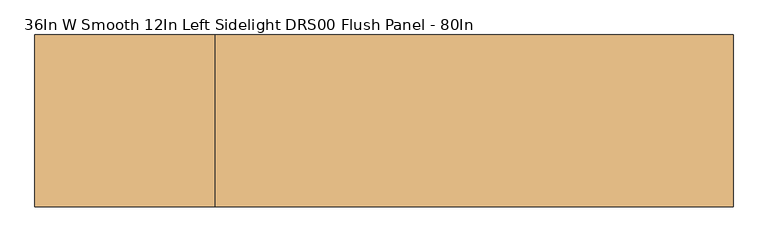
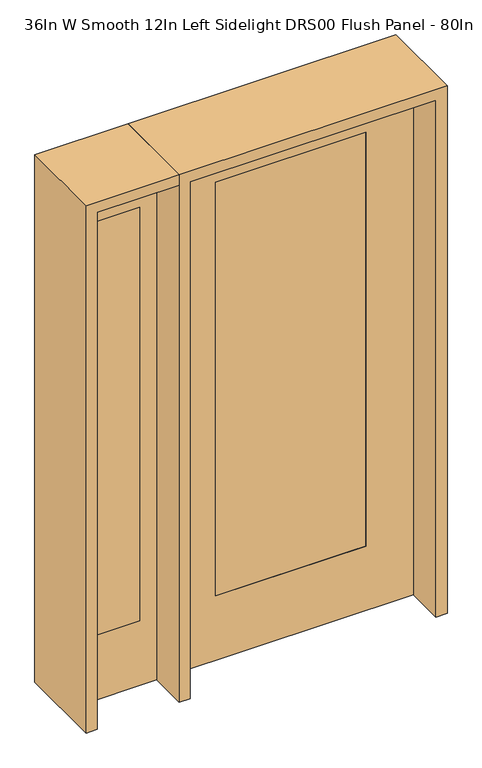
"""IFC4 building model written with IfcOpenShell, lengths in millimetres: door geometry, 36In W Smooth 12In Left Sidelight DRS00 Flush Panel - 80In."""

from ifc_helpers import new_model, si_unit, frame, origin, place, context, project, spatial, polyline, outline, extrude, source, transform, mapped, element, save


def door_36in_w_smooth_12in_left_sidelight_drs00_flush_panel_989665a3(model_context):
    return source(origin(), model_context, "Body", "SweptSolid", [
        extrude(outline(polyline([(-561.975, -20.6375), (-739.775, -20.6375), (-739.775, 20.6375), (-561.975, 20.6375), (-561.975, -20.6375)])), frame((0.0, 0.0, 254.0), z_axis=(0.0, 0.0, 1.0), x_axis=(1.0, 0.0, 0.0)), (0.0, 0.0, 1.0), 1625.6),
        extrude(outline(polyline([(0.0, -803.275), (0.0, -498.475), (2032.0, -498.475), (2032.0, -803.275), (0.0, -803.275)]), holes=[polyline([(1879.6, -561.975), (254.0, -561.975), (254.0, -739.775), (1879.6, -739.775), (1879.6, -561.975)])]), frame((0.0, -20.6375, 0.0), z_axis=(0.0, 1.0, 0.0), x_axis=(0.0, 0.0, 1.0)), (0.0, 0.0, 1.0), 41.275),
        extrude(outline(polyline([(2032.0, 457.2), (2032.0, -457.2), (0.0, -457.2), (0.0, 457.2), (2032.0, 457.2)]), holes=[polyline([(254.0, 279.4), (254.0, -279.4), (1879.6, -279.4), (1879.6, 279.4), (254.0, 279.4)])]), frame((0.0, -20.701, 0.0), z_axis=(0.0, 1.0, 0.0), x_axis=(0.0, 0.0, 1.0)), (0.0, 0.0, 1.0), 41.402),
        extrude(outline(polyline([(279.4, -20.701), (-279.4, -20.701), (-279.4, 20.701), (279.4, 20.701), (279.4, -20.701)])), frame((0.0, 0.0, 254.0), z_axis=(0.0, 0.0, 1.0), x_axis=(1.0, 0.0, 0.0)), (0.0, 0.0, 1.0), 1625.6),
        extrude(outline(polyline([(2032.0, -498.475), (2073.275, -498.475), (2073.275, -844.55), (0.0, -844.55), (0.0, -803.275), (2032.0, -803.275), (2032.0, -498.475)])), frame((0.0, -165.1, 0.0), z_axis=(0.0, 1.0, 0.0), x_axis=(0.0, 0.0, 1.0)), (0.0, 0.0, 1.0), 330.2),
        extrude(outline(polyline([(2073.275, -498.475), (0.0, -498.475), (0.0, -457.2), (2032.0, -457.2), (2032.0, 457.2), (0.0, 457.2), (0.0, 498.475), (2073.275, 498.475), (2073.275, -498.475)])), frame((0.0, -165.1, 0.0), z_axis=(0.0, 1.0, 0.0), x_axis=(0.0, 0.0, 1.0)), (0.0, 0.0, 1.0), 330.2),
    ])


if __name__ == "__main__":
    model = new_model("IFC4")
    model_context = context("Model", 3, world=origin())
    ifc_project = project(units=[si_unit("LENGTHUNIT", "METRE", prefix="MILLI")], contexts=[model_context])
    site = spatial("IfcSite", under=ifc_project)
    building = spatial("IfcBuilding", under=site)
    placement = place(None, origin())
    door_36in_w_smooth_12in_left_sidelight_drs00_flush_panel_shape = door_36in_w_smooth_12in_left_sidelight_drs00_flush_panel_989665a3(model_context)
    element("IfcDoor", 1, ObjectType="36In W Smooth 12In Left Sidelight DRS00 Flush Panel - 80In", at=placement, inside=building, context=model_context, shape_type="MappedRepresentation", body=[
        mapped(door_36in_w_smooth_12in_left_sidelight_drs00_flush_panel_shape, transform((0.0, 0.0, 0.0), x_axis=(1.0, 0.0, 0.0), y_axis=(0.0, 1.0, 0.0), z_axis=(0.0, 0.0, 1.0))),
    ])
    save(model, "model.ifc")
